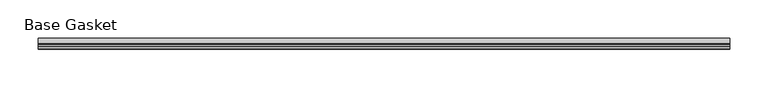
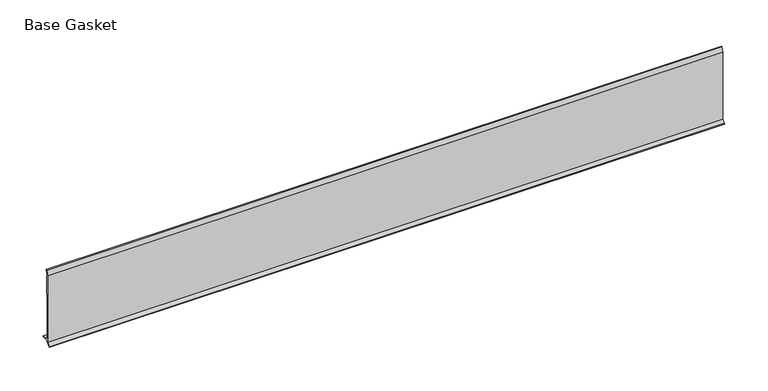
"""IFC4 building model written with IfcOpenShell, lengths in millimetres: furniture geometry, Base Gasket."""

import ifcopenshell
import ifcopenshell.guid

model = None  # the IFC model being written
_history = None  # IfcOwnerHistory: only IFC2X3 demands one
_inside = {}  # id of a spatial element -> (the spatial element, [elements in it])
_under = {}  # id of a project, library or spatial element -> (it, [spatial elements below it])
_declared = {}  # id of a project -> (the project, [libraries it declares])
_typed = {}  # id of a type object -> (the type object, [elements of that type])
_made_of = {}  # id of a material, layer set ... -> (it, [elements and type objects made of it])


def new_model(schema):
    """Start an empty IFC model of exactly this schema.

    Asked for "IFC4X3", IfcOpenShell would pick the latest addendum, in which some entities
    have other attributes; the version numbers below select the first issue.
    IFC2X3 requires an IfcOwnerHistory on every rooted entity: one is made here for all.
    """
    global model, _history
    if schema == "IFC4X3":
        model = ifcopenshell.file(schema_version=(4, 3, 0, 0))
    else:
        model = ifcopenshell.file(schema=schema)
    _inside.clear()
    _under.clear()
    _declared.clear()
    _typed.clear()
    _made_of.clear()
    _history = None
    if model.schema == "IFC2X3":
        org = make("IfcOrganization", Name="unknown")
        user = make(
            "IfcPersonAndOrganization",
            ThePerson=make("IfcPerson", FamilyName="unknown"),
            TheOrganization=org,
        )
        app = make(
            "IfcApplication",
            ApplicationDeveloper=org,
            Version="unknown",
            ApplicationFullName="unknown",
            ApplicationIdentifier="unknown",
        )
        _history = make(
            "IfcOwnerHistory",
            OwningUser=user,
            OwningApplication=app,
            ChangeAction="ADDED",
            CreationDate=0,
        )
    return model


def make(cls, **values):
    """One entity of the class cls with the attributes given. An attribute that is None is left unset."""
    return model.create_entity(
        cls, **{name: value for name, value in values.items() if value is not None}
    )


def rooted(cls, **values):
    """An entity with a GlobalId (a new one), such as an element, a storey or a relation."""
    return make(cls, GlobalId=ifcopenshell.guid.new(), OwnerHistory=_history, **values)


def si_unit(unit_type, name, prefix=None):
    """IfcSIUnit, for example si_unit("LENGTHUNIT", "METRE", prefix="MILLI")."""
    return make("IfcSIUnit", UnitType=unit_type, Prefix=prefix, Name=name)


def assignment(units):
    """IfcUnitAssignment: the units of a project."""
    return None if units is None else make("IfcUnitAssignment", Units=units)


def point(xyz):
    """IfcCartesianPoint."""
    return None if xyz is None else make("IfcCartesianPoint", Coordinates=xyz)


def direction(xyz):
    """IfcDirection."""
    return None if xyz is None else make("IfcDirection", DirectionRatios=xyz)


def frame(location, z_axis=None, x_axis=None):
    """IfcAxis2Placement3D, a coordinate frame: its origin and axes. An axis left out is left unset."""
    return make(
        "IfcAxis2Placement3D",
        Location=point(location),
        Axis=direction(z_axis),
        RefDirection=direction(x_axis),
    )


def origin():
    """The frame at (0, 0, 0) with its axes left unset."""
    return frame((0.0, 0.0, 0.0))


def place(relative_to, where):
    """IfcLocalPlacement: puts the frame where relative to a parent placement (None: the world)."""
    return make(
        "IfcLocalPlacement", PlacementRelTo=relative_to, RelativePlacement=where
    )


def context(
    kind, dimensions, precision=None, world=None, true_north=None, identifier=None
):
    """IfcGeometricRepresentationContext, for example the 3D "Model" context."""
    return make(
        "IfcGeometricRepresentationContext",
        ContextIdentifier=identifier,
        ContextType=kind,
        CoordinateSpaceDimension=dimensions,
        Precision=precision,
        WorldCoordinateSystem=world,
        TrueNorth=true_north,
    )


def project(units=None, contexts=None):
    """IfcProject with its units and contexts."""
    return rooted(
        "IfcProject",
        Name="project",
        RepresentationContexts=contexts,
        UnitsInContext=assignment(units),
    )


def spatial(cls, under=None, at=None, **own):
    """A site, building, storey or space (cls), placed at a placement, below another one or the project."""
    s = rooted(cls, ObjectPlacement=at, **own)
    if under is not None:
        _under.setdefault(under.id(), (under, []))[1].append(s)
    return s


def polyline(points):
    """IfcPolyline through the points."""
    return make("IfcPolyline", Points=[point(p) for p in points])


def outline(outer, holes=None, kind="AREA"):
    """IfcArbitraryClosedProfileDef: a profile drawn as a closed curve; with holes, ...WithVoids."""
    if holes is None:
        return make("IfcArbitraryClosedProfileDef", ProfileType=kind, OuterCurve=outer)
    return make(
        "IfcArbitraryProfileDefWithVoids",
        ProfileType=kind,
        OuterCurve=outer,
        InnerCurves=holes,
    )


def extrude(swept, where, along, depth):
    """IfcExtrudedAreaSolid: the profile swept, set in the frame where, extruded along a direction by depth."""
    return make(
        "IfcExtrudedAreaSolid",
        SweptArea=swept,
        Position=where,
        ExtrudedDirection=direction(along),
        Depth=depth,
    )


def shape(context_of_items, identifier, shape_type, items):
    """IfcShapeRepresentation: the items that make up one representation, for example the "Body"."""
    return make(
        "IfcShapeRepresentation",
        ContextOfItems=context_of_items,
        RepresentationIdentifier=identifier,
        RepresentationType=shape_type,
        Items=items,
    )


def source(mapping_origin, context_of_items, identifier, shape_type, items):
    """IfcRepresentationMap: a shape defined once, which mapped items show again and again."""
    return make(
        "IfcRepresentationMap",
        MappingOrigin=mapping_origin,
        MappedRepresentation=shape(context_of_items, identifier, shape_type, items),
    )


def transform(
    local_origin,
    x_axis=None,
    y_axis=None,
    z_axis=None,
    scale=None,
    scale2=None,
    scale3=None,
    uniform=True,
):
    """IfcCartesianTransformationOperator3D, or its non-uniform kind. x_axis, y_axis, z_axis: its Axis1, 2, 3."""
    if uniform:
        return make(
            "IfcCartesianTransformationOperator3D",
            Axis1=direction(x_axis),
            Axis2=direction(y_axis),
            LocalOrigin=point(local_origin),
            Scale=scale,
            Axis3=direction(z_axis),
        )
    return make(
        "IfcCartesianTransformationOperator3DnonUniform",
        Axis1=direction(x_axis),
        Axis2=direction(y_axis),
        LocalOrigin=point(local_origin),
        Scale=scale,
        Axis3=direction(z_axis),
        Scale2=scale2,
        Scale3=scale3,
    )


def mapped(mapping_source, mapping_target):
    """IfcMappedItem: shows the shape of a source again, moved by a transform."""
    return make(
        "IfcMappedItem", MappingSource=mapping_source, MappingTarget=mapping_target
    )


def made_of(thing, what):
    """Note that an element or type object is made of a material, layer set ...; save() writes the relation."""
    if what is not None:
        _made_of.setdefault(what.id(), (what, []))[1].append(thing)
    return thing


def element(
    cls,
    number,
    at=None,
    inside=None,
    cuts=None,
    type_object=None,
    material=None,
    context=None,
    identifier="Body",
    shape_type=None,
    held_by="IfcProductDefinitionShape",
    body=None,
    shapes=None,
    **own,
):
    """One element of the class cls, such as IfcWall. Its Tag is "e" and its number.

    at: its placement. inside: the storey or other place that contains it. cuts: it is an
    opening in that element (IfcRelVoidsElement). A single representation is given by context,
    identifier, shape_type and body (its items); several are given by shapes. held_by: the class
    of the entity that holds the representations. save() writes the other relations.
    """
    e = rooted(cls, Tag="e%d" % number, ObjectPlacement=at, **own)
    if body is not None:
        shapes = [shape(context, identifier, shape_type, body)]
    if shapes is not None:
        e.Representation = make(held_by, Representations=shapes)
    if inside is not None:
        _inside.setdefault(inside.id(), (inside, []))[1].append(e)
    if cuts is not None:
        rooted(
            "IfcRelVoidsElement", RelatingBuildingElement=cuts, RelatedOpeningElement=e
        )
    if type_object is not None:
        _typed.setdefault(type_object.id(), (type_object, []))[1].append(e)
    return made_of(e, material)


def aggregate(whole, parts):
    """IfcRelAggregates: a whole, such as a stair, and the parts it consists of."""
    return rooted("IfcRelAggregates", RelatingObject=whole, RelatedObjects=parts)


def save(model, path):
    """Write the relations noted so far, then the file.

    IfcRelAggregates (storeys below a building ...), IfcRelContainedInSpatialStructure (elements
    in a storey), IfcRelDefinesByType, IfcRelAssociatesMaterial and IfcRelDeclares: one each for
    every whole, place, type object, material and project.
    """
    for whole, parts in _under.values():
        aggregate(whole, parts)
    for where, things in _inside.values():
        rooted(
            "IfcRelContainedInSpatialStructure",
            RelatedElements=things,
            RelatingStructure=where,
        )
    for kind, things in _typed.values():
        rooted("IfcRelDefinesByType", RelatedObjects=things, RelatingType=kind)
    for what, things in _made_of.values():
        rooted("IfcRelAssociatesMaterial", RelatedObjects=things, RelatingMaterial=what)
    for by, libraries in _declared.values():
        rooted("IfcRelDeclares", RelatingContext=by, RelatedDefinitions=libraries)
    model.write(path)


def base_gasket_8f79def8(model_context):
    return source(origin(), model_context, "Body", "SweptSolid", [
        extrude(outline(polyline([(-3.7283812, 98.4568417), (-1.1891543, 104.587663), (-0.6755308, 105.2002997), (-0.6755308, 104.4162708), (-2.2043812, 98.4568417), (-2.2043812, 96.8693477), (-1.4106313, 96.8693477), (-1.4106313, 71.4693447), (-2.2043812, 71.4693447), (-2.2043812, 7.9398773), (6.2405171, 7.9398773), (6.2405171, 6.3818476), (-2.1334222, 6.3818476), (-2.2043812, 4.3498477), (-6.8281054, 0.3520979), (-7.8482342, 0.0), (-7.4222115, 0.6560174), (-3.7283812, 4.3498477), (-3.7283812, 98.4568417)])), frame((-1527.8982117, 0.0, 0.0), z_axis=(1.0, 0.0, 0.0), x_axis=(0.0, 1.0, 0.0)), (0.0, 0.0, 1.0), 899.1979397),
    ])


if __name__ == "__main__":
    model = new_model("IFC4")
    model_context = context("Model", 3, world=origin())
    ifc_project = project(units=[si_unit("LENGTHUNIT", "METRE", prefix="MILLI")], contexts=[model_context])
    site = spatial("IfcSite", under=ifc_project)
    building = spatial("IfcBuilding", under=site)
    placement = place(None, origin())
    base_gasket_shape = base_gasket_8f79def8(model_context)
    element("IfcFurniture", 1, ObjectType="Base Gasket", at=placement, inside=building, context=model_context, shape_type="MappedRepresentation", body=[
        mapped(base_gasket_shape, transform((0.0, 0.0, 0.0), x_axis=(1.0, 0.0, 0.0), y_axis=(0.0, 1.0, 0.0), z_axis=(0.0, 0.0, 1.0))),
    ])
    save(model, "model.ifc")
